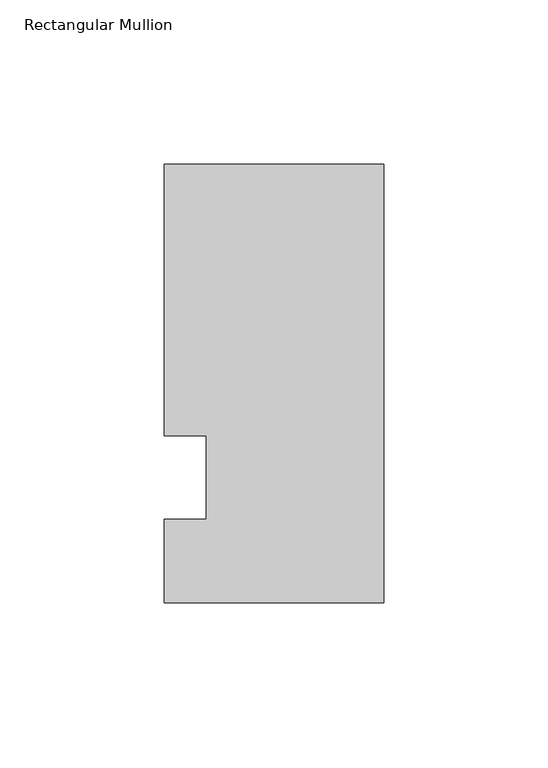
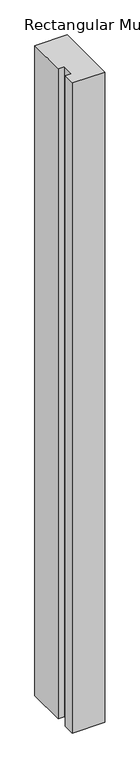
"""IFC4 building model written with IfcOpenShell, lengths in millimetres: member geometry, Rectangular Mullion."""

import ifcopenshell
import ifcopenshell.guid

model = None  # the IFC model being written
_history = None  # IfcOwnerHistory: only IFC2X3 demands one
_inside = {}  # id of a spatial element -> (the spatial element, [elements in it])
_under = {}  # id of a project, library or spatial element -> (it, [spatial elements below it])
_declared = {}  # id of a project -> (the project, [libraries it declares])
_typed = {}  # id of a type object -> (the type object, [elements of that type])
_made_of = {}  # id of a material, layer set ... -> (it, [elements and type objects made of it])


def new_model(schema):
    """Start an empty IFC model of exactly this schema.

    Asked for "IFC4X3", IfcOpenShell would pick the latest addendum, in which some entities
    have other attributes; the version numbers below select the first issue.
    IFC2X3 requires an IfcOwnerHistory on every rooted entity: one is made here for all.
    """
    global model, _history
    if schema == "IFC4X3":
        model = ifcopenshell.file(schema_version=(4, 3, 0, 0))
    else:
        model = ifcopenshell.file(schema=schema)
    _inside.clear()
    _under.clear()
    _declared.clear()
    _typed.clear()
    _made_of.clear()
    _history = None
    if model.schema == "IFC2X3":
        org = make("IfcOrganization", Name="unknown")
        user = make(
            "IfcPersonAndOrganization",
            ThePerson=make("IfcPerson", FamilyName="unknown"),
            TheOrganization=org,
        )
        app = make(
            "IfcApplication",
            ApplicationDeveloper=org,
            Version="unknown",
            ApplicationFullName="unknown",
            ApplicationIdentifier="unknown",
        )
        _history = make(
            "IfcOwnerHistory",
            OwningUser=user,
            OwningApplication=app,
            ChangeAction="ADDED",
            CreationDate=0,
        )
    return model


def make(cls, **values):
    """One entity of the class cls with the attributes given. An attribute that is None is left unset."""
    return model.create_entity(
        cls, **{name: value for name, value in values.items() if value is not None}
    )


def rooted(cls, **values):
    """An entity with a GlobalId (a new one), such as an element, a storey or a relation."""
    return make(cls, GlobalId=ifcopenshell.guid.new(), OwnerHistory=_history, **values)


def si_unit(unit_type, name, prefix=None):
    """IfcSIUnit, for example si_unit("LENGTHUNIT", "METRE", prefix="MILLI")."""
    return make("IfcSIUnit", UnitType=unit_type, Prefix=prefix, Name=name)


def assignment(units):
    """IfcUnitAssignment: the units of a project."""
    return None if units is None else make("IfcUnitAssignment", Units=units)


def point(xyz):
    """IfcCartesianPoint."""
    return None if xyz is None else make("IfcCartesianPoint", Coordinates=xyz)


def direction(xyz):
    """IfcDirection."""
    return None if xyz is None else make("IfcDirection", DirectionRatios=xyz)


def frame(location, z_axis=None, x_axis=None):
    """IfcAxis2Placement3D, a coordinate frame: its origin and axes. An axis left out is left unset."""
    return make(
        "IfcAxis2Placement3D",
        Location=point(location),
        Axis=direction(z_axis),
        RefDirection=direction(x_axis),
    )


def origin():
    """The frame at (0, 0, 0) with its axes left unset."""
    return frame((0.0, 0.0, 0.0))


def place(relative_to, where):
    """IfcLocalPlacement: puts the frame where relative to a parent placement (None: the world)."""
    return make(
        "IfcLocalPlacement", PlacementRelTo=relative_to, RelativePlacement=where
    )


def context(
    kind, dimensions, precision=None, world=None, true_north=None, identifier=None
):
    """IfcGeometricRepresentationContext, for example the 3D "Model" context."""
    return make(
        "IfcGeometricRepresentationContext",
        ContextIdentifier=identifier,
        ContextType=kind,
        CoordinateSpaceDimension=dimensions,
        Precision=precision,
        WorldCoordinateSystem=world,
        TrueNorth=true_north,
    )


def project(units=None, contexts=None):
    """IfcProject with its units and contexts."""
    return rooted(
        "IfcProject",
        Name="project",
        RepresentationContexts=contexts,
        UnitsInContext=assignment(units),
    )


def spatial(cls, under=None, at=None, **own):
    """A site, building, storey or space (cls), placed at a placement, below another one or the project."""
    s = rooted(cls, ObjectPlacement=at, **own)
    if under is not None:
        _under.setdefault(under.id(), (under, []))[1].append(s)
    return s


def polyline(points):
    """IfcPolyline through the points."""
    return make("IfcPolyline", Points=[point(p) for p in points])


def outline(outer, holes=None, kind="AREA"):
    """IfcArbitraryClosedProfileDef: a profile drawn as a closed curve; with holes, ...WithVoids."""
    if holes is None:
        return make("IfcArbitraryClosedProfileDef", ProfileType=kind, OuterCurve=outer)
    return make(
        "IfcArbitraryProfileDefWithVoids",
        ProfileType=kind,
        OuterCurve=outer,
        InnerCurves=holes,
    )


def extrude(swept, where, along, depth):
    """IfcExtrudedAreaSolid: the profile swept, set in the frame where, extruded along a direction by depth."""
    return make(
        "IfcExtrudedAreaSolid",
        SweptArea=swept,
        Position=where,
        ExtrudedDirection=direction(along),
        Depth=depth,
    )


def shape(context_of_items, identifier, shape_type, items):
    """IfcShapeRepresentation: the items that make up one representation, for example the "Body"."""
    return make(
        "IfcShapeRepresentation",
        ContextOfItems=context_of_items,
        RepresentationIdentifier=identifier,
        RepresentationType=shape_type,
        Items=items,
    )


def source(mapping_origin, context_of_items, identifier, shape_type, items):
    """IfcRepresentationMap: a shape defined once, which mapped items show again and again."""
    return make(
        "IfcRepresentationMap",
        MappingOrigin=mapping_origin,
        MappedRepresentation=shape(context_of_items, identifier, shape_type, items),
    )


def transform(
    local_origin,
    x_axis=None,
    y_axis=None,
    z_axis=None,
    scale=None,
    scale2=None,
    scale3=None,
    uniform=True,
):
    """IfcCartesianTransformationOperator3D, or its non-uniform kind. x_axis, y_axis, z_axis: its Axis1, 2, 3."""
    if uniform:
        return make(
            "IfcCartesianTransformationOperator3D",
            Axis1=direction(x_axis),
            Axis2=direction(y_axis),
            LocalOrigin=point(local_origin),
            Scale=scale,
            Axis3=direction(z_axis),
        )
    return make(
        "IfcCartesianTransformationOperator3DnonUniform",
        Axis1=direction(x_axis),
        Axis2=direction(y_axis),
        LocalOrigin=point(local_origin),
        Scale=scale,
        Axis3=direction(z_axis),
        Scale2=scale2,
        Scale3=scale3,
    )


def mapped(mapping_source, mapping_target):
    """IfcMappedItem: shows the shape of a source again, moved by a transform."""
    return make(
        "IfcMappedItem", MappingSource=mapping_source, MappingTarget=mapping_target
    )


def made_of(thing, what):
    """Note that an element or type object is made of a material, layer set ...; save() writes the relation."""
    if what is not None:
        _made_of.setdefault(what.id(), (what, []))[1].append(thing)
    return thing


def element(
    cls,
    number,
    at=None,
    inside=None,
    cuts=None,
    type_object=None,
    material=None,
    context=None,
    identifier="Body",
    shape_type=None,
    held_by="IfcProductDefinitionShape",
    body=None,
    shapes=None,
    **own,
):
    """One element of the class cls, such as IfcWall. Its Tag is "e" and its number.

    at: its placement. inside: the storey or other place that contains it. cuts: it is an
    opening in that element (IfcRelVoidsElement). A single representation is given by context,
    identifier, shape_type and body (its items); several are given by shapes. held_by: the class
    of the entity that holds the representations. save() writes the other relations.
    """
    e = rooted(cls, Tag="e%d" % number, ObjectPlacement=at, **own)
    if body is not None:
        shapes = [shape(context, identifier, shape_type, body)]
    if shapes is not None:
        e.Representation = make(held_by, Representations=shapes)
    if inside is not None:
        _inside.setdefault(inside.id(), (inside, []))[1].append(e)
    if cuts is not None:
        rooted(
            "IfcRelVoidsElement", RelatingBuildingElement=cuts, RelatedOpeningElement=e
        )
    if type_object is not None:
        _typed.setdefault(type_object.id(), (type_object, []))[1].append(e)
    return made_of(e, material)


def aggregate(whole, parts):
    """IfcRelAggregates: a whole, such as a stair, and the parts it consists of."""
    return rooted("IfcRelAggregates", RelatingObject=whole, RelatedObjects=parts)


def save(model, path):
    """Write the relations noted so far, then the file.

    IfcRelAggregates (storeys below a building ...), IfcRelContainedInSpatialStructure (elements
    in a storey), IfcRelDefinesByType, IfcRelAssociatesMaterial and IfcRelDeclares: one each for
    every whole, place, type object, material and project.
    """
    for whole, parts in _under.values():
        aggregate(whole, parts)
    for where, things in _inside.values():
        rooted(
            "IfcRelContainedInSpatialStructure",
            RelatedElements=things,
            RelatingStructure=where,
        )
    for kind, things in _typed.values():
        rooted("IfcRelDefinesByType", RelatedObjects=things, RelatingType=kind)
    for what, things in _made_of.values():
        rooted("IfcRelAssociatesMaterial", RelatedObjects=things, RelatingMaterial=what)
    for by, libraries in _declared.values():
        rooted("IfcRelDeclares", RelatingContext=by, RelatedDefinitions=libraries)
    model.write(path)


def rectangular_mullion_76473793(model_context):
    return source(origin(), model_context, "Body", "SweptSolid", [
        extrude(outline(polyline([(-66.675, 95.25), (0.0, 95.25), (0.0, -38.1), (-66.675, -38.1), (-66.675, -12.7), (-53.9732296, -12.7), (-53.9732296, 12.7), (-66.675, 12.7), (-66.675, 95.25)])), frame((0.0, 0.0, -1416.1510693), z_axis=(0.0, 0.0, 1.0), x_axis=(1.0, 0.0, 0.0)), (0.0, 0.0, 1.0), 1416.1510693),
    ])


if __name__ == "__main__":
    model = new_model("IFC4")
    model_context = context("Model", 3, world=origin())
    ifc_project = project(units=[si_unit("LENGTHUNIT", "METRE", prefix="MILLI")], contexts=[model_context])
    site = spatial("IfcSite", under=ifc_project)
    building = spatial("IfcBuilding", under=site)
    placement = place(None, origin())
    rectangular_mullion_shape = rectangular_mullion_76473793(model_context)
    element("IfcMember", 1, ObjectType="Rectangular Mullion", at=placement, inside=building, context=model_context, shape_type="MappedRepresentation", body=[
        mapped(rectangular_mullion_shape, transform((0.0, 0.0, 0.0), x_axis=(1.0, 0.0, 0.0), y_axis=(0.0, 1.0, 0.0), z_axis=(0.0, 0.0, 1.0))),
    ])
    save(model, "model.ifc")
